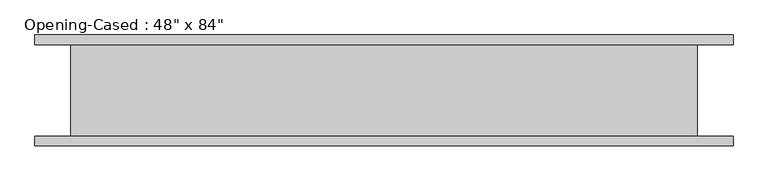
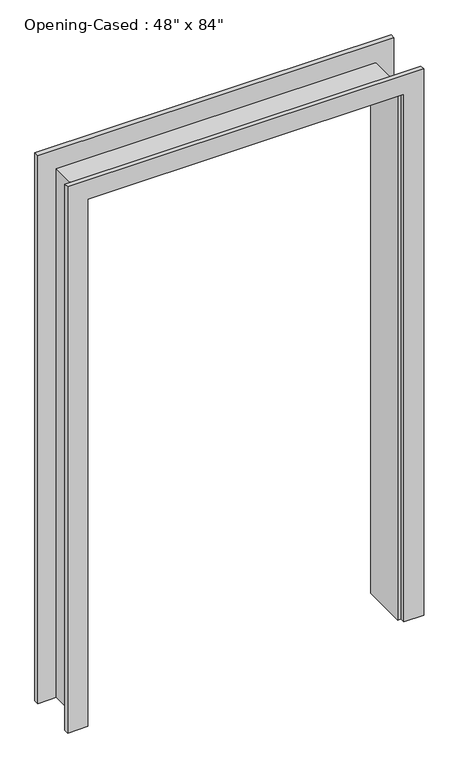
"""IFC4 building model written with IfcOpenShell, lengths in millimetres: proxy geometry."""

from ifc_helpers import new_model, si_unit, frame, origin, place, context, project, spatial, polyline, outline, extrude, faceted_brep, source, transform, mapped, element, save


def proxy_ebfd0ebb(model_context):
    return source(origin(), model_context, "Body", "SolidModel", [
        extrude(outline(polyline([(0.0, -611.4386567), (2127.25, -611.4386567), (2127.25, 595.0613433), (0.0, 595.0613433), (0.0, 671.2613433), (2203.45, 671.2613433), (2203.45, -687.6386567), (0.0, -687.6386567), (0.0, -611.4386567)])), frame((0.0, -107.95, 0.0), z_axis=(0.0, 1.0, 0.0), x_axis=(0.0, 0.0, 1.0)), (0.0, 0.0, 1.0), 19.05),
        extrude(outline(polyline([(0.0, 671.2613433), (2209.8, 671.2613433), (2209.8, -687.6386567), (0.0, -687.6386567), (0.0, -611.4386567), (2127.25, -611.4386567), (2127.25, 595.0613433), (0.0, 595.0613433), (0.0, 671.2613433)])), frame((0.0, 88.9, 0.0), z_axis=(0.0, 1.0, 0.0), x_axis=(0.0, 0.0, 1.0)), (0.0, 0.0, 1.0), 19.05),
        faceted_brep([(582.3613433, 88.9, 0.0), (601.4113433, 88.9, 0.0), (601.4113433, -88.9, 0.0), (582.3613433, -88.9, 0.0), (582.3613433, 88.9, 2114.55), (601.4113433, 88.9, 2133.6), (601.4113433, -88.9, 2133.6), (582.3613433, -88.9, 2114.55), (-598.7386567, 88.9, 2114.55), (-617.7886567, 88.9, 2133.6), (-617.7886567, -88.9, 2133.6), (-598.7386567, -88.9, 2114.55), (-598.7386567, 88.9, 0.0), (-598.7386567, -88.9, 0.0), (-617.7886567, -88.9, 0.0), (-617.7886567, 88.9, 0.0)], [[[0, 1, 2, 3]], [[1, 0, 4, 5]], [[2, 1, 5, 6]], [[3, 2, 6, 7]], [[0, 3, 7, 4]], [[5, 4, 8, 9]], [[6, 5, 9, 10]], [[7, 6, 10, 11]], [[4, 7, 11, 8]], [[12, 13, 14, 15]], [[9, 8, 12, 15]], [[10, 9, 15, 14]], [[11, 10, 14, 13]], [[8, 11, 13, 12]]]),
    ])


if __name__ == "__main__":
    model = new_model("IFC4")
    model_context = context("Model", 3, world=origin())
    ifc_project = project(units=[si_unit("LENGTHUNIT", "METRE", prefix="MILLI")], contexts=[model_context])
    site = spatial("IfcSite", under=ifc_project)
    building = spatial("IfcBuilding", under=site)
    placement = place(None, origin())
    proxy_shape = proxy_ebfd0ebb(model_context)
    element("IfcBuildingElementProxy", 1, Name="Opening-Cased : 48\" x 84\"", ObjectType="Opening-Cased : 48\" x 84\"", at=placement, inside=building, context=model_context, shape_type="MappedRepresentation", body=[
        mapped(proxy_shape, transform((0.0, 0.0, 0.0), x_axis=(1.0, 0.0, 0.0), y_axis=(0.0, 1.0, 0.0), z_axis=(0.0, 0.0, 1.0))),
    ])
    save(model, "model.ifc")
